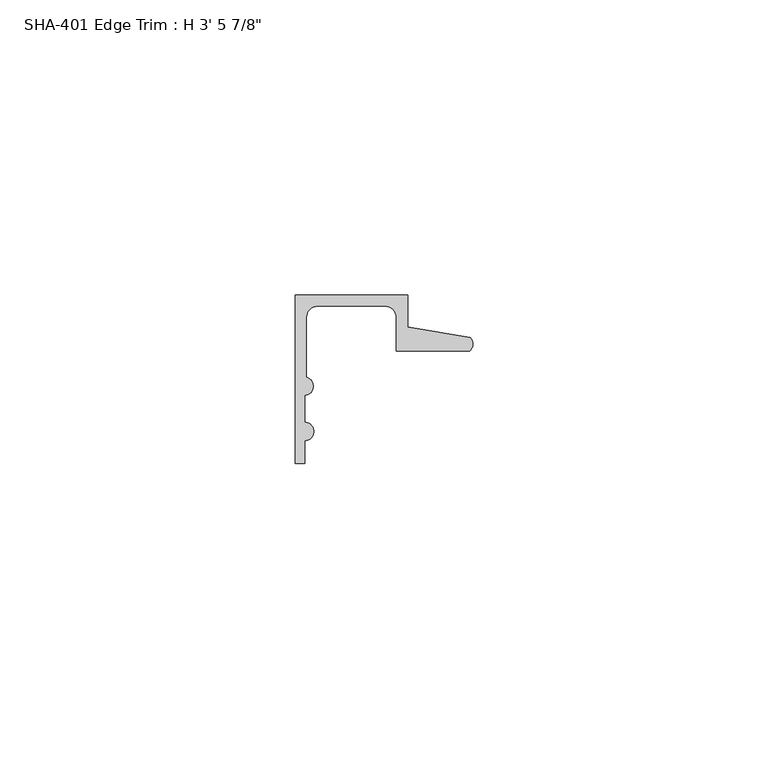
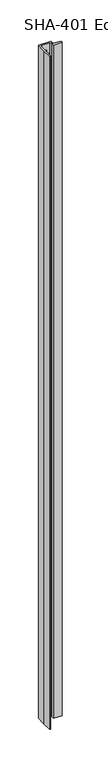
"""IFC4 building model written with IfcOpenShell, lengths in millimetres: proxy geometry."""

from ifc_helpers import new_model, si_unit, point, frame_2d, origin, origin_with_axes, place, context, project, spatial, polyline, circle_curve, trimmed, segment, composite_curve, outline, extrude, source, transform, mapped, element, save


def proxy_25d50709(model_context):
    return source(origin(), model_context, "Body", "SweptSolid", [
        extrude(outline(composite_curve([segment(trimmed(circle_curve(frame_2d((28.4438454, -8.3323235)), 1.6162393), [point((29.6006869, -7.2036308))], [point((29.5346031, -9.525))], False, "CARTESIAN"), True, "CONTINUOUS"), segment(polyline([(29.5346031, -9.525), (17.1196, -9.525), (17.1196, -3.81)]), True, "CONTINUOUS"), segment(trimmed(circle_curve(frame_2d((15.2146, -3.81)), 1.905), [point((17.1196, -3.81))], [point((15.2146, -1.905))], True, "CARTESIAN"), True, "CONTINUOUS"), segment(polyline([(15.2146, -1.905), (3.81, -1.905)]), True, "CONTINUOUS"), segment(trimmed(circle_curve(frame_2d((3.81, -3.81)), 1.905), [point((3.81, -1.905))], [point((1.905, -3.81))], True, "CARTESIAN"), True, "CONTINUOUS"), segment(polyline([(1.905, -3.81), (1.905, -13.9230434)]), True, "CONTINUOUS"), segment(trimmed(circle_curve(frame_2d((1.4838146, -15.4432)), 1.5774262), [point((1.905, -13.9230434))], [point((1.5748, -17.018))], False, "CARTESIAN"), True, "CONTINUOUS"), segment(polyline([(1.5748, -17.018), (1.5748, -21.5549919)]), True, "CONTINUOUS"), segment(trimmed(circle_curve(frame_2d((1.5748, -23.1297919)), 1.5748), [point((1.5748, -21.5549919))], [point((1.5748, -24.7045919))], False, "CARTESIAN"), True, "CONTINUOUS"), segment(polyline([(1.5748, -24.7045919), (1.5748, -28.575), (0.0, -28.575), (0.0, -13.8696178), (0.0, 0.0), (19.0246, 0.0), (19.0246, -5.392657), (29.6006869, -7.2036308)]), True, "CONTINUOUS")], self_intersect=False)), origin_with_axes(), (0.0, 0.0, 1.0), 1063.625),
    ])


if __name__ == "__main__":
    model = new_model("IFC4")
    model_context = context("Model", 3, world=origin())
    ifc_project = project(units=[si_unit("LENGTHUNIT", "METRE", prefix="MILLI")], contexts=[model_context])
    site = spatial("IfcSite", under=ifc_project)
    building = spatial("IfcBuilding", under=site)
    placement = place(None, origin())
    proxy_shape = proxy_25d50709(model_context)
    element("IfcBuildingElementProxy", 1, Name="SHA-401 Edge Trim : H 3' 5 7/8\"", ObjectType="SHA-401 Edge Trim : H 3' 5 7/8\"", at=placement, inside=building, context=model_context, shape_type="MappedRepresentation", body=[
        mapped(proxy_shape, transform((0.0, 0.0, 0.0), x_axis=(1.0, 0.0, 0.0), y_axis=(0.0, 1.0, 0.0), z_axis=(0.0, 0.0, 1.0))),
    ])
    save(model, "model.ifc")
